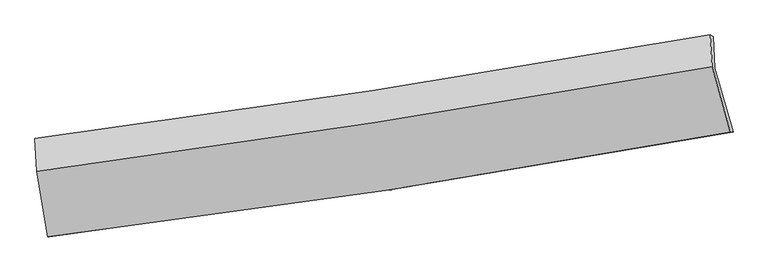
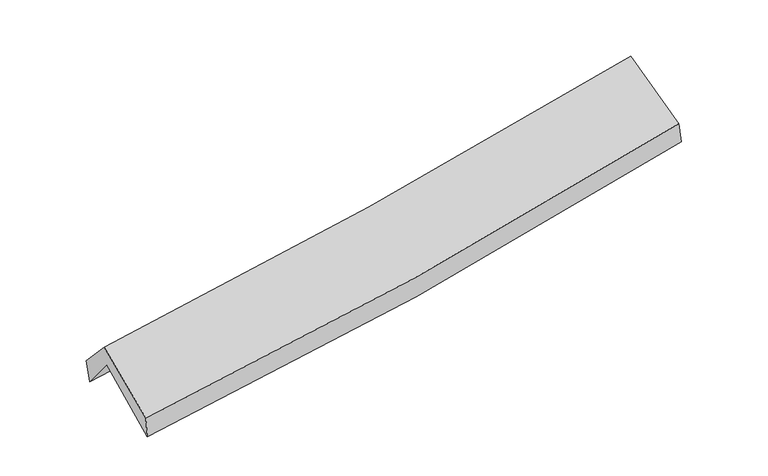
"""IFC4 building model written with IfcOpenShell, lengths in millimetres: proxy geometry."""

from ifc_helpers import new_model, si_unit, frame, origin, place, context, project, spatial, source, transform, mapped, element, save
from ifc_brep_helpers import plane_surface, spline_curve, spline_surface, advanced_brep


def generic_models_41387ec1(model_context):
    return source(origin(), model_context, "Body", "AdvancedBrep", [
        advanced_brep(
        [(-2606.801718, -2475.8419731, 1470.3414243), (-2691.9799782, -1979.1813765, 1900.1456633), (2624.9671072, -1147.2595814, 2367.6892147), (2768.409177, -1650.252798, 1948.758358), (-2703.1498614, -1729.3666993, 1588.4102727), (2613.3177486, -897.208554, 2063.4743863), (-2718.0278058, -1700.4162112, 1778.6861817), (2589.1513445, -884.4160835, 2250.3816117), (-2704.0153273, -1960.2665215, 2063.0448901), (2604.226155, -1133.0667979, 2522.9076771), (-2617.9459933, -2474.7710596, 1653.953711), (2746.7872379, -1647.9343722, 2130.7430175)],
        [
            (0, 1),
            (1, 2, spline_curve(3, [(-2691.9799782, -1979.1813765, 1900.1456633), (-1802.261110565, -1861.714409073, 1951.291126188), (-915.450303413, -1733.858382779, 2015.691969893), (856.895342953, -1456.658118242, 2171.40329861), (1742.400230578, -1307.206879607, 2262.850305332), (2624.9671072, -1147.2595814, 2367.6892147)], [4, 2, 4], [0.0, 8.887796822939887, 17.82124566623297])),
            (2, 3),
            (3, 0, spline_curve(3, [(2768.409177, -1650.252798, 1948.758358), (1875.825730121, -1809.604154172, 1835.630225327), (980.445161976, -1958.227759835, 1739.138460241), (-811.320317773, -2233.314788783, 1579.835745981), (-1707.676714862, -2359.887575079, 1516.855199702), (-2606.801718, -2475.8419731, 1470.3414243)], [4, 2, 4], [0.0, 8.933448843293082, 17.82124566623297])),
            (1, 4),
            (4, 5, spline_curve(3, [(-2703.1498614, -1729.3666993, 1588.4102727), (-1812.661746145, -1614.394037311, 1636.267410413), (-925.505081189, -1487.768763534, 1699.643386491), (846.685100481, -1210.502729207, 1857.838257009), (1731.684305681, -1059.741954873, 1952.816985664), (2613.3177486, -897.208554, 2063.4743863)], [4, 2, 4], [0.0, 8.841081316384122, 17.72757469970007])),
            (5, 2),
            (4, 6),
            (6, 7, spline_curve(3, [(-2718.0278058, -1700.4162112, 1778.6861817), (-1830.691063334, -1584.662161598, 1838.178731051), (-945.884199079, -1458.98480465, 1907.108028874), (823.201573522, -1187.086965596, 2064.242646214), (1707.454426381, -1040.76428008, 2152.545158794), (2589.1513445, -884.4160835, 2250.3816117)], [4, 2, 4], [0.0, 8.831142163248158, 17.7076453411336])),
            (7, 5),
            (6, 8),
            (8, 9, spline_curve(3, [(-2704.0153273, -1960.2665215, 2063.0448901), (-1816.69083722, -1839.510767073, 2117.111440611), (-931.802040452, -1710.397627461, 2182.33978083), (837.636873323, -1434.750461875, 2335.512417601), (1722.161903531, -1288.130360507, 2423.571672866), (2604.226155, -1133.0667979, 2522.9076771)], [4, 2, 4], [0.0, 8.82223159348808, 17.689778432620276])),
            (9, 7),
            (8, 10),
            (10, 11, spline_curve(3, [(-2617.9459933, -2474.7710596, 1653.953711), (-1719.998196234, -2365.789110662, 1708.203777983), (-825.100581308, -2242.608051892, 1774.927437527), (963.175243993, -1967.142064362, 1933.728736437), (1856.522039484, -1814.710894001, 2025.934845891), (2746.7872379, -1647.9343722, 2130.7430175)], [4, 2, 4], [0.0, 8.870835058832474, 17.787235014199307])),
            (11, 9),
            (10, 0),
            (3, 11),
        ],
        [
            spline_surface(3, 3, [[(-2606.801718, -2475.8419731, 1470.3414243), (-1707.676714731, -2359.887575132, 1516.855199757), (-811.32031783, -2233.314788903, 1579.835746011), (980.445162033, -1958.227759715, 1739.138460211), (1875.825730099, -1809.604154217, 1835.630225179), (2768.409177, -1650.252798, 1948.758358)], [(-2635.194471391, -2310.288440896, 1613.609503993), (-1739.204846712, -2193.829853152, 1661.667175275), (-846.030312984, -2066.829320211, 1725.121153972), (939.261889008, -1791.037879266, 1883.226739657), (1831.350563617, -1642.138396037, 1978.03691859), (2720.595153715, -1482.588392465, 2088.401976916)], [(-2663.587224809, -2144.734908704, 1756.877583607), (-1770.73297872, -2027.772131184, 1806.479150713), (-880.740308201, -1900.343851432, 1870.406561963), (898.07861592, -1623.847998729, 2027.315019132), (1786.875397189, -1474.672637859, 2120.443611951), (2672.781130485, -1314.923986935, 2228.045595784)], [(-2691.9799782, -1979.1813765, 1900.1456633), (-1802.2611107, -1861.714409204, 1951.291126231), (-915.450303356, -1733.858382741, 2015.691969924), (856.895342895, -1456.658118281, 2171.403298579), (1742.400230707, -1307.206879679, 2262.850305362), (2624.9671072, -1147.2595814, 2367.6892147)]], [4, 4], [4, 2, 4], [0.0, 2.205471399328114], [0.0, 8.887796822939887, 17.82124566623297]),
            spline_surface(3, 3, [[(-2691.9799782, -1979.1813765, 1900.1456633), (-1802.2611107, -1861.714409204, 1951.291126231), (-915.450303356, -1733.858382741, 2015.691969924), (856.895342895, -1456.658118281, 2171.403298579), (1742.400230707, -1307.206879679, 2262.850305362), (2624.9671072, -1147.2595814, 2367.6892147)], [(-2695.703272607, -1895.909817454, 1796.23386642), (-1805.727989143, -1779.274285296, 1846.283220963), (-918.801896001, -1651.828509636, 1910.342442122), (853.491928761, -1374.606321955, 2066.881618084), (1738.828255737, -1224.718571404, 2159.505865422), (2621.083987678, -1063.909238917, 2266.284271884)], [(-2699.426566993, -1812.638258346, 1692.32206958), (-1809.194867565, -1696.834161325, 1741.275315734), (-922.153488601, -1569.798636536, 1804.992914264), (850.088514672, -1292.554525635, 1962.359937533), (1735.256280732, -1142.230263179, 2056.16142553), (2617.200868122, -980.558896483, 2164.879329116)], [(-2703.1498614, -1729.3666993, 1588.4102727), (-1812.661746007, -1614.394037417, 1636.267410465), (-925.505081246, -1487.768763432, 1699.643386462), (846.685100538, -1210.502729309, 1857.838257038), (1731.684305763, -1059.741954904, 1952.81698559), (2613.3177486, -897.208554, 2063.4743863)]], [4, 4], [4, 2, 4], [0.0, 1.3114266604314557], [0.0, 8.841081316384122, 17.72757469970007]),
            spline_surface(3, 3, [[(-2703.1498614, -1729.3666993, 1588.4102727), (-1812.661746007, -1614.394037417, 1636.267410465), (-925.505081246, -1487.768763432, 1699.643386462), (846.685100538, -1210.502729309, 1857.838257038), (1731.684305763, -1059.741954904, 1952.81698559), (2613.3177486, -897.208554, 2063.4743863)], [(-2708.109176181, -1719.716536581, 1651.835575712), (-1818.671518446, -1604.483412104, 1703.571184015), (-932.298120553, -1478.174110462, 1768.798267202), (838.857258255, -1202.697474731, 1926.639720125), (1723.607679266, -1053.416063281, 2019.393043309), (2605.262280569, -892.944397174, 2125.776794778)], [(-2713.068491019, -1710.066373919, 1715.260878688), (-1824.681290941, -1594.572786849, 1770.874957529), (-939.0911599, -1468.579457567, 1837.953147996), (831.029415934, -1194.892220229, 1995.441183266), (1715.531052761, -1047.090171636, 2085.969100994), (2597.206812531, -888.680240326, 2188.079203222)], [(-2718.0278058, -1700.4162112, 1778.6861817), (-1830.69106338, -1584.662161536, 1838.178731079), (-945.884199208, -1458.984804596, 1907.108028736), (823.201573651, -1187.086965651, 2064.242646353), (1707.454426264, -1040.764280013, 2152.545158713), (2589.1513445, -884.4160835, 2250.3816117)]], [4, 4], [4, 2, 4], [0.0, 0.6880581804621523], [0.0, 8.831142163248158, 17.7076453411336]),
            spline_surface(3, 3, [[(-2718.0278058, -1700.4162112, 1778.6861817), (-1830.69106338, -1584.662161536, 1838.178731079), (-945.884199208, -1458.984804596, 1907.108028736), (823.201573651, -1187.086965651, 2064.242646353), (1707.454426264, -1040.764280013, 2152.545158713), (2589.1513445, -884.4160835, 2250.3816117)], [(-2713.356979655, -1787.032981322, 1873.472417807), (-1826.02432136, -1669.61169677, 1931.156300933), (-941.190146249, -1542.789078879, 1998.851946142), (828.013340156, -1269.641464396, 2154.665903392), (1712.356918725, -1123.219640165, 2242.887330101), (2594.176281328, -967.299654986, 2341.223633512)], [(-2708.686153445, -1873.649751378, 1968.258653993), (-1821.357579274, -1754.56123194, 2024.133870864), (-936.496093272, -1626.593353165, 2090.595863551), (832.825106679, -1352.195963144, 2245.089160434), (1717.259411201, -1205.67500026, 2333.229501453), (2599.201218172, -1050.183226414, 2432.065655288)], [(-2704.0153273, -1960.2665215, 2063.0448901), (-1816.690837253, -1839.510767175, 2117.111440717), (-931.802040313, -1710.397627447, 2182.339780957), (837.636873184, -1434.750461889, 2335.512417473), (1722.161903662, -1288.130360412, 2423.57167284), (2604.226155, -1133.0667979, 2522.9076771)]], [4, 4], [4, 2, 4], [0.0, 1.2149225379011537], [0.0, 8.82223159348808, 17.689778432620276]),
            spline_surface(3, 3, [[(-2704.0153273, -1960.2665215, 2063.0448901), (-1816.690837253, -1839.510767175, 2117.111440717), (-931.802040313, -1710.397627447, 2182.339780957), (837.636873184, -1434.750461889, 2335.512417473), (1722.161903662, -1288.130360412, 2423.57167284), (2604.226155, -1133.0667979, 2522.9076771)], [(-2675.325549279, -2131.768034185, 1926.681163742), (-1784.459956905, -2014.936881621, 1980.808886513), (-896.234887304, -1887.801102266, 2046.53566647), (879.482996784, -1612.214329386, 2201.584523794), (1766.948615581, -1463.657204892, 2291.026063823), (2651.746515958, -1304.689322655, 2392.18612388)], [(-2646.635771321, -2303.269546915, 1790.317437358), (-1752.229076619, -2190.362996111, 1844.506332282), (-860.667734302, -2065.204577071, 1910.731552), (921.329120378, -1789.678196867, 2067.656630131), (1811.735327525, -1639.184049406, 2158.480454866), (2699.266876942, -1476.311847445, 2261.46457072)], [(-2617.9459933, -2474.7710596, 1653.953711), (-1719.998196271, -2365.789110556, 1708.203778077), (-825.100581293, -2242.60805189, 1774.927437513), (963.175243978, -1967.142064364, 1933.728736452), (1856.522039444, -1814.710893886, 2025.934845848), (2746.7872379, -1647.9343722, 2130.7430175)]], [4, 4], [4, 2, 4], [0.0, 2.226449707817702], [0.0, 8.870835058832474, 17.787235014199307]),
            spline_surface(3, 3, [[(-2617.9459933, -2474.7710596, 1653.953711), (-1719.998196271, -2365.789110556, 1708.203778077), (-825.100581293, -2242.60805189, 1774.927437513), (963.175243978, -1967.142064364, 1933.728736452), (1856.522039444, -1814.710893886, 2025.934845848), (2746.7872379, -1647.9343722, 2130.7430175)], [(-2614.231234887, -2475.128030762, 1592.749615425), (-1715.891035778, -2363.821932077, 1644.420918629), (-820.507160154, -2239.510297554, 1709.896873695), (968.931883314, -1964.170629474, 1868.865311054), (1862.956603013, -1813.008647332, 1962.499972288), (2753.994550951, -1648.707180802, 2070.08146433)], [(-2610.516476413, -2475.485001938, 1531.545519875), (-1711.783875224, -2361.854753612, 1580.638059205), (-815.913738969, -2236.412543239, 1644.866309829), (974.688522697, -1961.199194605, 1804.001885608), (1869.39116653, -1811.306400771, 1899.065098739), (2761.201863949, -1649.479989398, 2009.41991117)], [(-2606.801718, -2475.8419731, 1470.3414243), (-1707.676714731, -2359.887575132, 1516.855199757), (-811.32031783, -2233.314788903, 1579.835746011), (980.445162033, -1958.227759715, 1739.138460211), (1875.825730099, -1809.604154217, 1835.630225179), (2768.409177, -1650.252798, 1948.758358)]], [4, 4], [4, 2, 4], [0.0, 0.6419610614474026], [0.0, 8.926513873918541, 17.89887863767779]),
            plane_surface(frame((2657.809795, -1226.6896978, 2213.9923775), z_axis=(0.9763751538662802, 0.18377188591002516, 0.11366377110438865), x_axis=(0.21511324375716132, -0.7768938883737859, -0.5917450283422175))),
            plane_surface(frame((-2673.6534473, -2053.3073068, 1742.4303572), z_axis=(-0.9911687287702015, -0.11852506603592049, -0.059467300504088216), x_axis=(-0.0605820919591294, 0.00582165980763796, 0.9981462409942442))),
        ],
        [
            (0, [[1, 2, 3, 4]]),
            (1, [[5, 6, 7, -2]]),
            (2, [[8, 9, 10, -6]]),
            (3, [[11, 12, 13, -9]]),
            (4, [[14, 15, 16, -12]]),
            (5, [[17, -4, 18, -15]]),
            (6, [[-16, -18, -3, -7, -10, -13]]),
            (7, [[-17, -14, -11, -8, -5, -1]]),
        ],
    ),
    ])


if __name__ == "__main__":
    model = new_model("IFC4")
    model_context = context("Model", 3, world=origin())
    ifc_project = project(units=[si_unit("LENGTHUNIT", "METRE", prefix="MILLI")], contexts=[model_context])
    site = spatial("IfcSite", under=ifc_project)
    building = spatial("IfcBuilding", under=site)
    placement = place(None, origin())
    generic_models_shape = generic_models_41387ec1(model_context)
    element("IfcBuildingElementProxy", 1, Name="Generic Models", at=placement, inside=building, context=model_context, shape_type="MappedRepresentation", body=[
        mapped(generic_models_shape, transform((0.0, 0.0, 0.0), x_axis=(1.0, 0.0, 0.0), y_axis=(0.0, 1.0, 0.0), z_axis=(0.0, 0.0, 1.0))),
    ])
    save(model, "model.ifc")
